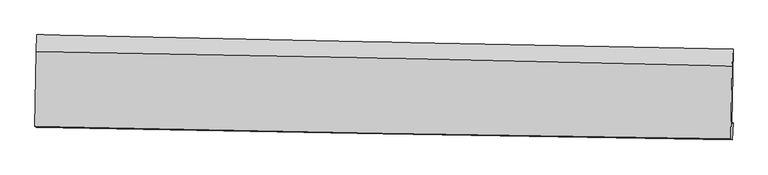
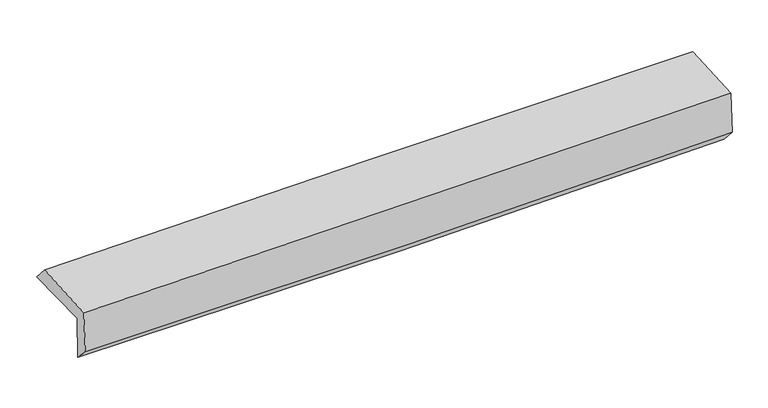
"""IFC4 building model written with IfcOpenShell, lengths in millimetres: proxy geometry."""

from ifc_helpers import new_model, si_unit, frame, origin, place, context, project, spatial, source, transform, mapped, element, save
from ifc_brep_helpers import plane_surface, spline_curve, spline_surface, advanced_brep


def generic_models_c4e9f427(model_context):
    return source(origin(), model_context, "Body", "AdvancedBrep", [
        advanced_brep(
        [(-3038.5617329, -1765.4780692, 1968.5293477), (-3026.4819216, -1078.8652522, 1959.1915525), (3025.7870403, -1202.0088039, 2092.500313), (3014.0685717, -1861.3877693, 2105.4901993), (-3026.2669532, -1745.2183421, 1560.5717302), (3026.4850454, -1848.5199507, 1689.0363665), (-3032.7502223, -1883.8524603, 1700.5634771), (3019.3049118, -1993.4159098, 1849.148397), (-3044.1522341, -1878.3123075, 2093.1835387), (3008.0421668, -1987.9434257, 2236.9729115), (-3033.7127475, -1225.3855096, 2120.0808909), (3018.2441708, -1349.8697256, 2263.2583897)],
        [
            (0, 1),
            (1, 2, spline_curve(3, [(-3026.4819216, -1078.8652522, 1959.1915525), (-2017.5633689, -1101.306739774, 1972.039063501), (-1008.731180757, -1122.789762782, 1989.572420017), (1008.691794899, -1163.837482983, 2034.009311782), (2017.282593998, -1183.402310328, 2060.91220856), (3025.7870403, -1202.0088039, 2092.500313)], [4, 2, 4], [0.0, 9.933255181107496, 19.865834143206282])),
            (2, 3),
            (3, 0, spline_curve(3, [(3014.0685717, -1861.3877693, 2105.4901993), (2005.886728278, -1842.78130685, 2062.885524555), (997.427126044, -1825.48582792, 2030.169834699), (-1020.116271001, -1793.515749641, 1984.514870638), (-2029.20010371, -1778.841328386, 1971.576943565), (-3038.5617329, -1765.4780692, 1968.5293477)], [4, 2, 4], [0.0, 9.932578962098786, 19.865834143206282])),
            (4, 0),
            (3, 5),
            (5, 4, spline_curve(3, [(3026.4850454, -1848.5199507, 1689.0363665), (2018.371674111, -1825.924061893, 1646.436003745), (1009.936168835, -1806.017851714, 1614.430439694), (-1007.647786772, -1771.583615969, 1571.607451841), (-2016.796280981, -1757.055956589, 1560.791470339), (-3026.2669532, -1745.2183421, 1560.5717302)], [4, 2, 4], [0.0, 9.932877347035044, 19.86643093339312])),
            (6, 4),
            (5, 7),
            (7, 6, spline_curve(3, [(3019.3049118, -1993.4159098, 1849.148397), (2010.86410688, -1978.331202173, 1813.319030878), (1002.32294735, -1961.658925808, 1783.022504011), (-1015.028750382, -1925.137992045, 1733.493444254), (-2023.839302248, -1905.289118817, 1714.2616641), (-3032.7502223, -1883.8524603, 1700.5634771)], [4, 2, 4], [0.0, 9.932597908238217, 19.865872036775016])),
            (8, 6),
            (7, 9),
            (9, 8, spline_curve(3, [(3008.0421668, -1987.9434257, 2236.9729115), (1999.239030241, -1972.68266393, 2213.620172162), (990.505093985, -1955.916718526, 2189.961772945), (-1026.893048998, -1919.373217759, 2142.03202356), (-2035.557246369, -1899.595456727, 2117.760631754), (-3044.1522341, -1878.3123075, 2093.1835387)], [4, 2, 4], [0.0, 9.932264235041549, 19.865204667664905])),
            (10, 8),
            (9, 11),
            (11, 10, spline_curve(3, [(3018.2441708, -1349.8697256, 2263.2583897), (2009.611885516, -1323.923263627, 2240.345848284), (1000.9831664, -1300.576612698, 2216.958541432), (-1016.335806917, -1259.081520038, 2169.232773417), (-2025.026060615, -1240.933432348, 2144.894247038), (-3033.7127475, -1225.3855096, 2120.0808909)], [4, 2, 4], [0.0, 9.93225621067151, 19.865188618378518])),
            (1, 10),
            (11, 2),
        ],
        [
            spline_surface(3, 3, [[(-3038.5617329, -1765.4780692, 1968.5293477), (-2029.200103742, -1778.841328272, 1971.576943478), (-1020.116270996, -1793.515749512, 1984.514870789), (997.427126039, -1825.485828049, 2030.169834549), (2005.886728181, -1842.781306859, 2062.885524414), (3014.0685717, -1861.3877693, 2105.4901993)], [(-3034.535129149, -1536.607130193, 1965.416749304), (-2025.321192125, -1552.996465436, 1971.730983522), (-1016.321240911, -1569.940420639, 1986.200720572), (1001.182015632, -1604.936379687, 2031.449660234), (2009.685350126, -1622.988308046, 2062.227752455), (3017.974727912, -1641.594780831, 2101.160237189)], [(-3030.508525351, -1307.736191207, 1962.304150896), (-2021.442280462, -1327.151602621, 1971.885023554), (-1012.526210793, -1346.36509172, 1987.886570383), (1004.936905258, -1384.38693128, 2032.729485947), (2013.483972034, -1403.195309242, 2061.569980528), (3021.880884088, -1421.801792369, 2096.830275111)], [(-3026.4819216, -1078.8652522, 1959.1915525), (-2017.563368845, -1101.306739785, 1972.039063597), (-1008.731180708, -1122.789762847, 1989.572420167), (1008.69179485, -1163.837482917, 2034.009311632), (2017.282593979, -1183.402310429, 2060.912208569), (3025.7870403, -1202.0088039, 2092.500313)]], [4, 4], [4, 2, 4], [0.0, 2.186018954821421], [0.0, 9.933255181107496, 19.865834143206282]),
            spline_surface(3, 3, [[(-3026.2669532, -1745.2183421, 1560.5717302), (-2016.79628104, -1757.055956677, 1560.791470247), (-1007.647786812, -1771.583615955, 1571.607451712), (1009.936168875, -1806.017851727, 1614.430439824), (2018.371674145, -1825.924061993, 1646.436003747), (3026.4850454, -1848.5199507, 1689.0363665)], [(-3030.365213094, -1751.971584463, 1696.557602705), (-2020.930888601, -1764.317747205, 1697.719961329), (-1011.80394821, -1778.89432714, 1709.243258086), (1005.766487926, -1812.507177167, 1753.010238081), (2014.210025468, -1831.543143608, 1785.25251063), (3022.346220811, -1852.80922356, 1827.85431076)], [(-3034.463473006, -1758.724826837, 1832.543475195), (-2025.06549618, -1771.579537744, 1834.648452396), (-1015.960109598, -1786.205038327, 1846.879064415), (1001.596806987, -1818.996502609, 1891.590036292), (2010.048376858, -1837.162225243, 1924.069017531), (3018.207396289, -1857.09849644, 1966.67225504)], [(-3038.5617329, -1765.4780692, 1968.5293477), (-2029.200103742, -1778.841328272, 1971.576943478), (-1020.116270996, -1793.515749512, 1984.514870789), (997.427126039, -1825.485828049, 2030.169834549), (2005.886728181, -1842.781306859, 2062.885524414), (3014.0685717, -1861.3877693, 2105.4901993)]], [4, 4], [4, 2, 4], [0.0, 1.3616405377481133], [0.0, 9.933553586358075, 19.86643093339312]),
            spline_surface(3, 3, [[(-3032.7502223, -1883.8524603, 1700.5634771), (-2023.839302156, -1905.289118716, 1714.261664127), (-1015.028750377, -1925.1379921, 1733.493444138), (1002.322947346, -1961.658925753, 1783.022504128), (2010.864106891, -1978.331202216, 1813.319030811), (3019.3049118, -1993.4159098, 1849.148397)], [(-3030.589132592, -1837.641087581, 1653.899561442), (-2021.491628442, -1855.878064717, 1663.104932809), (-1012.568429172, -1873.953200052, 1679.531446644), (1004.860687873, -1909.778567745, 1726.825149342), (2013.366629314, -1927.528822157, 1757.691355152), (3021.698289672, -1945.117256782, 1795.777720196)], [(-3028.428042908, -1791.429714819, 1607.235645858), (-2019.143954754, -1806.467010676, 1611.948201565), (-1010.108108018, -1822.768408004, 1625.569449205), (1007.398428348, -1857.898209736, 1670.62779461), (2015.869151722, -1876.726442052, 1702.063679406), (3024.091667528, -1896.818603718, 1742.407043304)], [(-3026.2669532, -1745.2183421, 1560.5717302), (-2016.79628104, -1757.055956677, 1560.791470247), (-1007.647786812, -1771.583615955, 1571.607451712), (1009.936168875, -1806.017851727, 1614.430439824), (2018.371674145, -1825.924061993, 1646.436003747), (3026.4850454, -1848.5199507, 1689.0363665)]], [4, 4], [4, 2, 4], [0.0, 0.742807815828955], [0.0, 9.9332741285368, 19.865872036775016]),
            spline_surface(3, 3, [[(-3044.1522341, -1878.3123075, 2093.1835387), (-2035.557246398, -1899.595456691, 2117.760631838), (-1026.893049021, -1919.373217601, 2142.032023589), (990.505094008, -1955.916718683, 2189.961772916), (1999.239030318, -1972.682663898, 2213.620172069), (3008.0421668, -1987.9434257, 2236.9729115)], [(-3040.351563532, -1880.159025076, 1962.310184852), (-2031.651265015, -1901.493344009, 1983.260975953), (-1022.938282805, -1921.294809107, 2005.852497111), (994.444378455, -1957.830787712, 2054.315349992), (2003.11405586, -1974.565510003, 2080.18645829), (3011.79641515, -1989.767587065, 2107.698073307)], [(-3036.550892868, -1882.005742724, 1831.436830948), (-2027.745283538, -1903.391231399, 1848.761320012), (-1018.983516593, -1923.216400595, 1869.672970616), (998.383662899, -1959.744856724, 1918.668927052), (2006.98908135, -1976.448356112, 1946.75274459), (3015.55066345, -1991.591748435, 1978.423235193)], [(-3032.7502223, -1883.8524603, 1700.5634771), (-2023.839302156, -1905.289118716, 1714.261664127), (-1015.028750377, -1925.1379921, 1733.493444138), (1002.322947346, -1961.658925753, 1783.022504128), (2010.864106891, -1978.331202216, 1813.319030811), (3019.3049118, -1993.4159098, 1849.148397)]], [4, 4], [4, 2, 4], [0.0, 1.3384234037786926], [0.0, 9.932940432623356, 19.865204667664905]),
            spline_surface(3, 3, [[(-3033.7127475, -1225.3855096, 2120.0808909), (-2025.026060669, -1240.9334324, 2144.894246977), (-1016.335806881, -1259.081520018, 2169.232773293), (1000.983166363, -1300.576612718, 2216.958541555), (2009.611885358, -1323.923263715, 2240.345848221), (3018.2441708, -1349.8697256, 2263.2583897)], [(-3037.192576354, -1443.027775596, 2111.115106817), (-2028.536455899, -1460.487440526, 2135.849708581), (-1019.854887593, -1479.178752529, 2160.165856741), (997.490475579, -1519.023314689, 2207.959618692), (2006.154267005, -1540.176397084, 2231.437289526), (3014.843502793, -1562.560958941, 2254.496563656)], [(-3040.672405246, -1660.670041504, 2102.149322783), (-2032.046851167, -1680.041448565, 2126.805170234), (-1023.373968308, -1699.275985091, 2151.098940141), (993.997784792, -1737.470016712, 2198.96069578), (2002.696648672, -1756.42953053, 2222.528730764), (3011.442834807, -1775.252192359, 2245.734737544)], [(-3044.1522341, -1878.3123075, 2093.1835387), (-2035.557246398, -1899.595456691, 2117.760631838), (-1026.893049021, -1919.373217601, 2142.032023589), (990.505094008, -1955.916718683, 2189.961772916), (1999.239030318, -1972.682663898, 2213.620172069), (3008.0421668, -1987.9434257, 2236.9729115)]], [4, 4], [4, 2, 4], [0.0, 2.160295297559872], [0.0, 9.932932407707009, 19.865188618378518]),
            spline_surface(3, 3, [[(-3026.4819216, -1078.8652522, 1959.1915525), (-2017.563368845, -1101.306739785, 1972.039063597), (-1008.731180708, -1122.789762847, 1989.572420167), (1008.69179485, -1163.837482917, 2034.009311632), (2017.282593979, -1183.402310429, 2060.912208569), (3025.7870403, -1202.0088039, 2092.500313)], [(-3028.89219688, -1127.705337992, 2012.82133198), (-2020.050932766, -1147.848970649, 2029.657458071), (-1011.266056104, -1168.220348568, 2049.459204533), (1006.122252016, -1209.417192848, 2094.992388264), (2014.725691101, -1230.242628212, 2120.723421778), (3023.272750462, -1251.295777821, 2149.419671892)], [(-3031.30247222, -1176.545423808, 2066.45111142), (-2022.538496748, -1194.391201537, 2087.275852503), (-1013.800931485, -1213.650934298, 2109.345988928), (1003.552709197, -1254.996902787, 2155.975464924), (2012.168788237, -1277.082945932, 2180.534635011), (3020.758460638, -1300.582751679, 2206.339030808)], [(-3033.7127475, -1225.3855096, 2120.0808909), (-2025.026060669, -1240.9334324, 2144.894246977), (-1016.335806881, -1259.081520018, 2169.232773293), (1000.983166363, -1300.576612718, 2216.958541555), (2009.611885358, -1323.923263715, 2240.345848221), (3018.2441708, -1349.8697256, 2263.2583897)]], [4, 4], [4, 2, 4], [0.0, 0.7450214053069338], [0.0, 9.933040788924949, 19.865405373436207]),
            plane_surface(frame((3018.6553178, -1707.1909308, 2039.4010962), z_axis=(0.9994239020702428, -0.017185182619406793, 0.029266593054665467), x_axis=(0.029025702624979246, -0.014103373134393443, -0.9994791660926997))),
            plane_surface(frame((-3033.6543019, -1596.1853235, 1900.3534229), z_axis=(-0.9994239020702638, 0.017185182617099847, -0.02926659305530303), x_axis=(-0.017588989673521224, -0.9997528516411687, 0.013596436210132764))),
        ],
        [
            (0, [[1, 2, 3, 4]]),
            (1, [[5, -4, 6, 7]]),
            (2, [[8, -7, 9, 10]]),
            (3, [[11, -10, 12, 13]]),
            (4, [[14, -13, 15, 16]]),
            (5, [[17, -16, 18, -2]]),
            (6, [[-12, -9, -6, -3, -18, -15]]),
            (7, [[-1, -5, -8, -11, -14, -17]]),
        ],
    ),
    ])


if __name__ == "__main__":
    model = new_model("IFC4")
    model_context = context("Model", 3, world=origin())
    ifc_project = project(units=[si_unit("LENGTHUNIT", "METRE", prefix="MILLI")], contexts=[model_context])
    site = spatial("IfcSite", under=ifc_project)
    building = spatial("IfcBuilding", under=site)
    placement = place(None, origin())
    generic_models_shape = generic_models_c4e9f427(model_context)
    element("IfcBuildingElementProxy", 1, Name="Generic Models", at=placement, inside=building, context=model_context, shape_type="MappedRepresentation", body=[
        mapped(generic_models_shape, transform((0.0, 0.0, 0.0), x_axis=(1.0, 0.0, 0.0), y_axis=(0.0, 1.0, 0.0), z_axis=(0.0, 0.0, 1.0))),
    ])
    save(model, "model.ifc")
